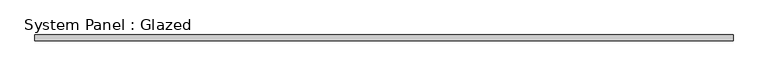
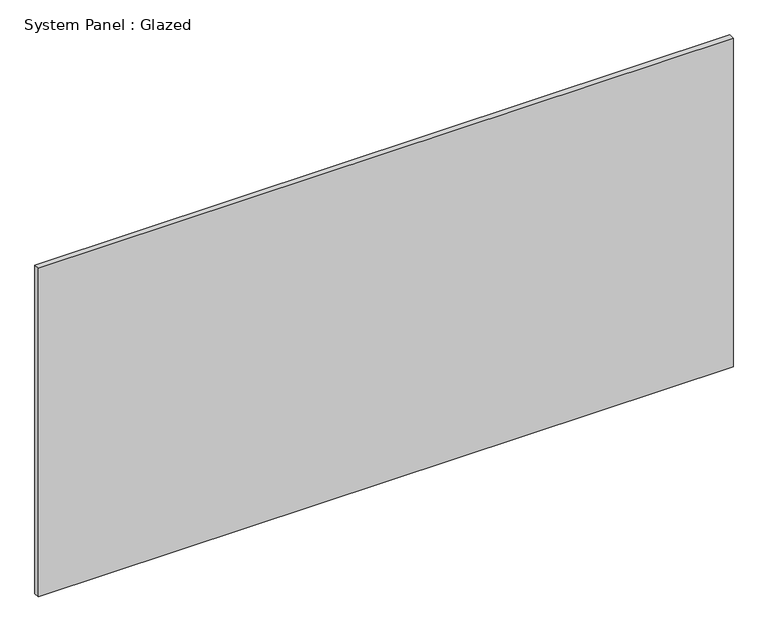
"""IFC4 building model written with IfcOpenShell, lengths in millimetres: plate geometry, System Panel : Glazed."""

from ifc_helpers import new_model, si_unit, origin, origin_with_axes, place, context, project, spatial, polyline, outline, extrude, source, transform, mapped, element, save


def system_panel_glazed_6ebeaf4f(model_context):
    return source(origin(), model_context, "Body", "SweptSolid", [
        extrude(outline(polyline([(1500.0, -49.5), (-1500.0, -49.5), (-1500.0, -24.5), (1500.0, -24.5), (1500.0, -49.5)])), origin_with_axes(), (0.0, 0.0, 1.0), 1500.0),
    ])


if __name__ == "__main__":
    model = new_model("IFC4")
    model_context = context("Model", 3, world=origin())
    ifc_project = project(units=[si_unit("LENGTHUNIT", "METRE", prefix="MILLI")], contexts=[model_context])
    site = spatial("IfcSite", under=ifc_project)
    building = spatial("IfcBuilding", under=site)
    placement = place(None, origin())
    system_panel_glazed_shape = system_panel_glazed_6ebeaf4f(model_context)
    element("IfcPlate", 1, ObjectType="System Panel : Glazed", at=placement, inside=building, context=model_context, shape_type="MappedRepresentation", body=[
        mapped(system_panel_glazed_shape, transform((0.0, 0.0, 0.0), x_axis=(1.0, 0.0, 0.0), y_axis=(0.0, 1.0, 0.0), z_axis=(0.0, 0.0, 1.0))),
    ])
    save(model, "model.ifc")
